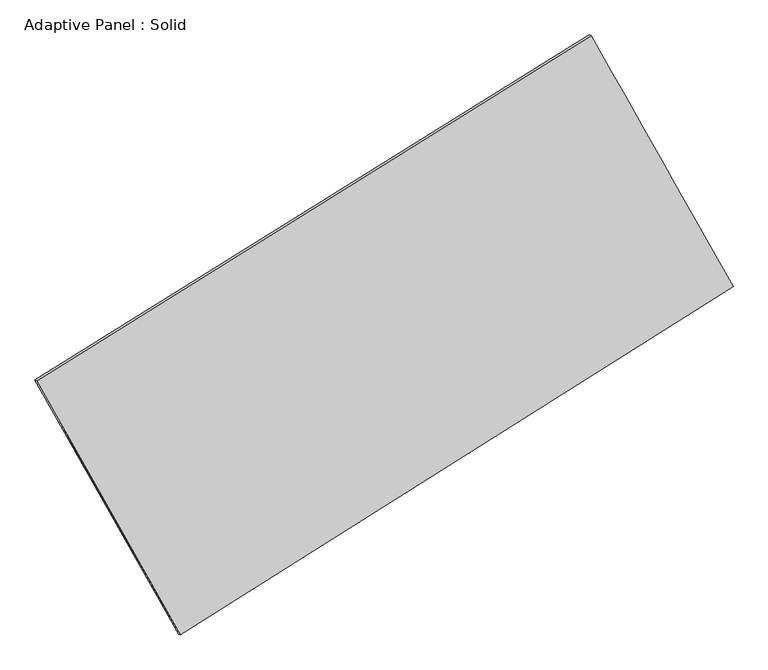
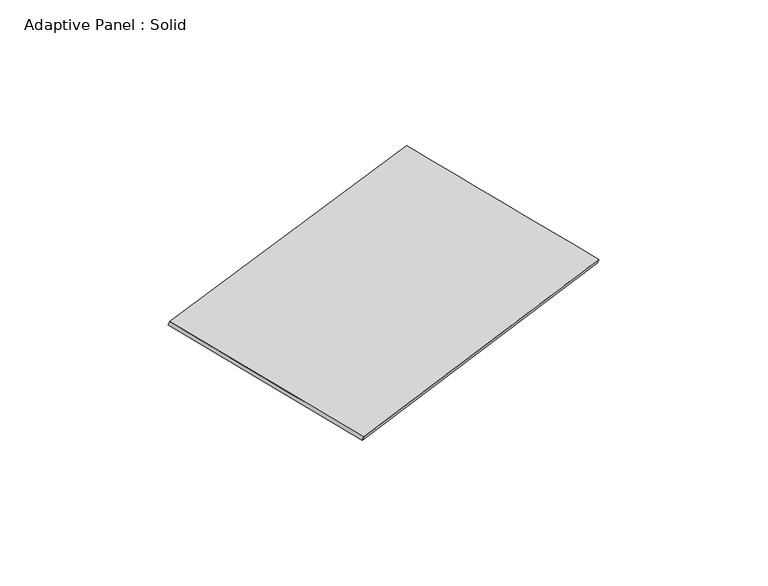
"""IFC4 building model written with IfcOpenShell, lengths in millimetres: plate geometry, Adaptive Panel : Solid."""

import ifcopenshell
import ifcopenshell.guid

model = None  # the IFC model being written
_history = None  # IfcOwnerHistory: only IFC2X3 demands one
_inside = {}  # id of a spatial element -> (the spatial element, [elements in it])
_under = {}  # id of a project, library or spatial element -> (it, [spatial elements below it])
_declared = {}  # id of a project -> (the project, [libraries it declares])
_typed = {}  # id of a type object -> (the type object, [elements of that type])
_made_of = {}  # id of a material, layer set ... -> (it, [elements and type objects made of it])


def new_model(schema):
    """Start an empty IFC model of exactly this schema.

    Asked for "IFC4X3", IfcOpenShell would pick the latest addendum, in which some entities
    have other attributes; the version numbers below select the first issue.
    IFC2X3 requires an IfcOwnerHistory on every rooted entity: one is made here for all.
    """
    global model, _history
    if schema == "IFC4X3":
        model = ifcopenshell.file(schema_version=(4, 3, 0, 0))
    else:
        model = ifcopenshell.file(schema=schema)
    _inside.clear()
    _under.clear()
    _declared.clear()
    _typed.clear()
    _made_of.clear()
    _history = None
    if model.schema == "IFC2X3":
        org = make("IfcOrganization", Name="unknown")
        user = make(
            "IfcPersonAndOrganization",
            ThePerson=make("IfcPerson", FamilyName="unknown"),
            TheOrganization=org,
        )
        app = make(
            "IfcApplication",
            ApplicationDeveloper=org,
            Version="unknown",
            ApplicationFullName="unknown",
            ApplicationIdentifier="unknown",
        )
        _history = make(
            "IfcOwnerHistory",
            OwningUser=user,
            OwningApplication=app,
            ChangeAction="ADDED",
            CreationDate=0,
        )
    return model


def make(cls, **values):
    """One entity of the class cls with the attributes given. An attribute that is None is left unset."""
    return model.create_entity(
        cls, **{name: value for name, value in values.items() if value is not None}
    )


def rooted(cls, **values):
    """An entity with a GlobalId (a new one), such as an element, a storey or a relation."""
    return make(cls, GlobalId=ifcopenshell.guid.new(), OwnerHistory=_history, **values)


def si_unit(unit_type, name, prefix=None):
    """IfcSIUnit, for example si_unit("LENGTHUNIT", "METRE", prefix="MILLI")."""
    return make("IfcSIUnit", UnitType=unit_type, Prefix=prefix, Name=name)


def assignment(units):
    """IfcUnitAssignment: the units of a project."""
    return None if units is None else make("IfcUnitAssignment", Units=units)


def point(xyz):
    """IfcCartesianPoint."""
    return None if xyz is None else make("IfcCartesianPoint", Coordinates=xyz)


def direction(xyz):
    """IfcDirection."""
    return None if xyz is None else make("IfcDirection", DirectionRatios=xyz)


def frame(location, z_axis=None, x_axis=None):
    """IfcAxis2Placement3D, a coordinate frame: its origin and axes. An axis left out is left unset."""
    return make(
        "IfcAxis2Placement3D",
        Location=point(location),
        Axis=direction(z_axis),
        RefDirection=direction(x_axis),
    )


def origin():
    """The frame at (0, 0, 0) with its axes left unset."""
    return frame((0.0, 0.0, 0.0))


def place(relative_to, where):
    """IfcLocalPlacement: puts the frame where relative to a parent placement (None: the world)."""
    return make(
        "IfcLocalPlacement", PlacementRelTo=relative_to, RelativePlacement=where
    )


def context(
    kind, dimensions, precision=None, world=None, true_north=None, identifier=None
):
    """IfcGeometricRepresentationContext, for example the 3D "Model" context."""
    return make(
        "IfcGeometricRepresentationContext",
        ContextIdentifier=identifier,
        ContextType=kind,
        CoordinateSpaceDimension=dimensions,
        Precision=precision,
        WorldCoordinateSystem=world,
        TrueNorth=true_north,
    )


def project(units=None, contexts=None):
    """IfcProject with its units and contexts."""
    return rooted(
        "IfcProject",
        Name="project",
        RepresentationContexts=contexts,
        UnitsInContext=assignment(units),
    )


def spatial(cls, under=None, at=None, **own):
    """A site, building, storey or space (cls), placed at a placement, below another one or the project."""
    s = rooted(cls, ObjectPlacement=at, **own)
    if under is not None:
        _under.setdefault(under.id(), (under, []))[1].append(s)
    return s


def shape(context_of_items, identifier, shape_type, items):
    """IfcShapeRepresentation: the items that make up one representation, for example the "Body"."""
    return make(
        "IfcShapeRepresentation",
        ContextOfItems=context_of_items,
        RepresentationIdentifier=identifier,
        RepresentationType=shape_type,
        Items=items,
    )


def source(mapping_origin, context_of_items, identifier, shape_type, items):
    """IfcRepresentationMap: a shape defined once, which mapped items show again and again."""
    return make(
        "IfcRepresentationMap",
        MappingOrigin=mapping_origin,
        MappedRepresentation=shape(context_of_items, identifier, shape_type, items),
    )


def transform(
    local_origin,
    x_axis=None,
    y_axis=None,
    z_axis=None,
    scale=None,
    scale2=None,
    scale3=None,
    uniform=True,
):
    """IfcCartesianTransformationOperator3D, or its non-uniform kind. x_axis, y_axis, z_axis: its Axis1, 2, 3."""
    if uniform:
        return make(
            "IfcCartesianTransformationOperator3D",
            Axis1=direction(x_axis),
            Axis2=direction(y_axis),
            LocalOrigin=point(local_origin),
            Scale=scale,
            Axis3=direction(z_axis),
        )
    return make(
        "IfcCartesianTransformationOperator3DnonUniform",
        Axis1=direction(x_axis),
        Axis2=direction(y_axis),
        LocalOrigin=point(local_origin),
        Scale=scale,
        Axis3=direction(z_axis),
        Scale2=scale2,
        Scale3=scale3,
    )


def mapped(mapping_source, mapping_target):
    """IfcMappedItem: shows the shape of a source again, moved by a transform."""
    return make(
        "IfcMappedItem", MappingSource=mapping_source, MappingTarget=mapping_target
    )


def made_of(thing, what):
    """Note that an element or type object is made of a material, layer set ...; save() writes the relation."""
    if what is not None:
        _made_of.setdefault(what.id(), (what, []))[1].append(thing)
    return thing


def element(
    cls,
    number,
    at=None,
    inside=None,
    cuts=None,
    type_object=None,
    material=None,
    context=None,
    identifier="Body",
    shape_type=None,
    held_by="IfcProductDefinitionShape",
    body=None,
    shapes=None,
    **own,
):
    """One element of the class cls, such as IfcWall. Its Tag is "e" and its number.

    at: its placement. inside: the storey or other place that contains it. cuts: it is an
    opening in that element (IfcRelVoidsElement). A single representation is given by context,
    identifier, shape_type and body (its items); several are given by shapes. held_by: the class
    of the entity that holds the representations. save() writes the other relations.
    """
    e = rooted(cls, Tag="e%d" % number, ObjectPlacement=at, **own)
    if body is not None:
        shapes = [shape(context, identifier, shape_type, body)]
    if shapes is not None:
        e.Representation = make(held_by, Representations=shapes)
    if inside is not None:
        _inside.setdefault(inside.id(), (inside, []))[1].append(e)
    if cuts is not None:
        rooted(
            "IfcRelVoidsElement", RelatingBuildingElement=cuts, RelatedOpeningElement=e
        )
    if type_object is not None:
        _typed.setdefault(type_object.id(), (type_object, []))[1].append(e)
    return made_of(e, material)


def aggregate(whole, parts):
    """IfcRelAggregates: a whole, such as a stair, and the parts it consists of."""
    return rooted("IfcRelAggregates", RelatingObject=whole, RelatedObjects=parts)


def save(model, path):
    """Write the relations noted so far, then the file.

    IfcRelAggregates (storeys below a building ...), IfcRelContainedInSpatialStructure (elements
    in a storey), IfcRelDefinesByType, IfcRelAssociatesMaterial and IfcRelDeclares: one each for
    every whole, place, type object, material and project.
    """
    for whole, parts in _under.values():
        aggregate(whole, parts)
    for where, things in _inside.values():
        rooted(
            "IfcRelContainedInSpatialStructure",
            RelatedElements=things,
            RelatingStructure=where,
        )
    for kind, things in _typed.values():
        rooted("IfcRelDefinesByType", RelatedObjects=things, RelatingType=kind)
    for what, things in _made_of.values():
        rooted("IfcRelAssociatesMaterial", RelatedObjects=things, RelatingMaterial=what)
    for by, libraries in _declared.values():
        rooted("IfcRelDeclares", RelatingContext=by, RelatedDefinitions=libraries)
    model.write(path)


def plane_surface(at):
    """IfcPlane: the flat surface through the origin of the frame at, square to its z axis."""
    return make("IfcPlane", Position=at)


def spline_surface(u_degree, v_degree, points, u_multiplicities, v_multiplicities, u_knots, v_knots, weights=None):
    """IfcBSplineSurfaceWithKnots; with weights, IfcRationalBSplineSurfaceWithKnots. points: one row for each step in u."""
    own = dict(
        UDegree=u_degree,
        VDegree=v_degree,
        ControlPointsList=[[point(p) for p in row] for row in points],
        SurfaceForm="UNSPECIFIED",
        UClosed=False,
        VClosed=False,
        SelfIntersect=False,
        UMultiplicities=u_multiplicities,
        VMultiplicities=v_multiplicities,
        UKnots=u_knots,
        VKnots=v_knots,
        KnotSpec="UNSPECIFIED",
    )
    if weights is None:
        return make("IfcBSplineSurfaceWithKnots", **own)
    return make("IfcRationalBSplineSurfaceWithKnots", WeightsData=weights, **own)


def advanced_brep(points, edges, surfaces, faces):
    """IfcAdvancedBrep: a solid bounded by faces that lie on surfaces and meet in shared edges.

    An edge is (start, end): straight between two places in points (the first is 0);
    or (start, end, curve); or (start, end, curve, False) where it runs against its curve.
    A face is (place in surfaces, loops), or (place, loops, False) where it looks against
    its surface's normal. A loop lists edges by number (the first is 1), with a minus sign
    where the edge is run from its end to its start. The first loop is the outer one.
    """
    corners = [point(p) for p in points]
    vertices = [make("IfcVertexPoint", VertexGeometry=c) for c in corners]
    made = []
    for start, end, *more in edges:
        made.append(
            make(
                "IfcEdgeCurve",
                EdgeStart=vertices[start],
                EdgeEnd=vertices[end],
                EdgeGeometry=more[0] if more else make("IfcPolyline", Points=[corners[start], corners[end]]),
                SameSense=more[1] if len(more) > 1 else True,
            )
        )
    hull = []
    for where, loops, *sense in faces:
        bounds = []
        for j, loop in enumerate(loops):
            ring = [make("IfcOrientedEdge", EdgeElement=made[abs(k) - 1], Orientation=k > 0) for k in loop]
            bounds.append(
                make(
                    "IfcFaceOuterBound" if j == 0 else "IfcFaceBound",
                    Bound=make("IfcEdgeLoop", EdgeList=ring),
                    Orientation=True,
                )
            )
        hull.append(make("IfcAdvancedFace", Bounds=bounds, FaceSurface=surfaces[where], SameSense=sense[0] if sense else True))
    return make("IfcAdvancedBrep", Outer=make("IfcClosedShell", CfsFaces=hull))


def adaptive_panel_solid_f4593424(model_context):
    return source(origin(), model_context, "Body", "AdvancedBrep", [
        advanced_brep(
        [(1169.2111966, 2544.8960043, 662.3161118), (-3733.6863505, -510.6966719, 1772.1022424), (-3719.0199947, -517.0767654, 1819.4751504), (1183.8775524, 2538.5159108, 709.6890199), (-2463.7166925, -2758.756372, 1072.783552), (-2449.0503366, -2765.1364655, 1120.15646), (2424.9012683, 324.3084668, -22.079386), (2439.5676241, 317.9283733, 25.293522)],
        [
            (0, 1),
            (1, 2),
            (2, 3),
            (3, 0),
            (1, 4),
            (4, 5),
            (5, 2),
            (4, 6),
            (6, 7),
            (7, 5),
            (6, 0),
            (3, 7),
        ],
        [
            plane_surface(frame((-1282.237577, 1017.0996662, 1217.2091771), z_axis=(-0.4680529824334822, 0.8449834730214933, 0.25870704659065225), x_axis=(-0.8334371851791088, -0.5194162298198172, 0.18865110272800142))),
            plane_surface(frame((-3098.7015215, -1634.726522, 1422.4428972), z_axis=(-0.8295984437699976, -0.5264940520126214, 0.1859312649602787), x_axis=(0.4747544491232534, -0.8403951525563805, -0.2614272376731511))),
            plane_surface(frame((-19.4077121, -1217.2239526, 525.352083), z_axis=(0.4728291220754164, -0.8419891366475744, -0.25978243798390904), x_axis=(0.8310587716108317, 0.524117060954723, -0.18612529259850383))),
            plane_surface(frame((1797.0562324, 1434.6022355, 320.1183629), z_axis=(0.8296266979081295, 0.5264440617926475, -0.18594674485269302), x_axis=(-0.47541636474973703, 0.8407358459464602, 0.25911873237733135))),
            spline_surface(1, 1, [[(-3719.0199947, -517.0767654, 1819.4751504), (1183.8775524, 2538.5159108, 709.6890199)], [(-2449.0503366, -2765.1364655, 1120.15646), (2439.5676241, 317.9283733, 25.293522)]], [2, 2], [2, 2], [0.0, 1.0], [0.0, 1.0]),
            spline_surface(1, 1, [[(2424.9012683, 324.3084668, -22.079386), (1169.2111966, 2544.8960043, 662.3161118)], [(-2463.7166925, -2758.756372, 1072.783552), (-3733.6863505, -510.6966719, 1772.1022424)]], [2, 2], [2, 2], [0.0, 1.0], [0.0, 1.0]),
        ],
        [
            (0, [[1, 2, 3, 4]]),
            (1, [[5, 6, 7, -2]]),
            (2, [[8, 9, 10, -6]]),
            (3, [[11, -4, 12, -9]]),
            (4, [[-3, -7, -10, -12]]),
            (5, [[-11, -8, -5, -1]]),
        ],
    ),
    ])


if __name__ == "__main__":
    model = new_model("IFC4")
    model_context = context("Model", 3, world=origin())
    ifc_project = project(units=[si_unit("LENGTHUNIT", "METRE", prefix="MILLI")], contexts=[model_context])
    site = spatial("IfcSite", under=ifc_project)
    building = spatial("IfcBuilding", under=site)
    placement = place(None, origin())
    adaptive_panel_solid_shape = adaptive_panel_solid_f4593424(model_context)
    element("IfcPlate", 1, ObjectType="Adaptive Panel : Solid", at=placement, inside=building, context=model_context, shape_type="MappedRepresentation", body=[
        mapped(adaptive_panel_solid_shape, transform((0.0, 0.0, 0.0), x_axis=(1.0, 0.0, 0.0), y_axis=(0.0, 1.0, 0.0), z_axis=(0.0, 0.0, 1.0))),
    ])
    save(model, "model.ifc")
